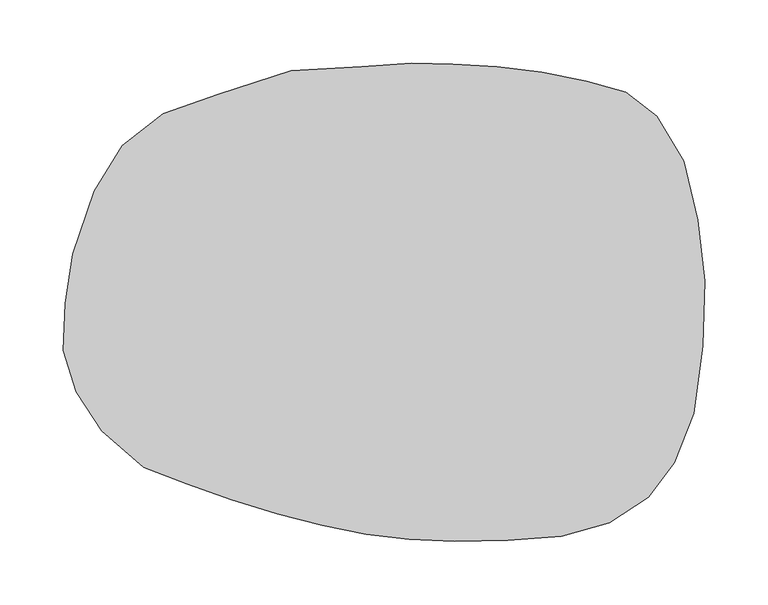
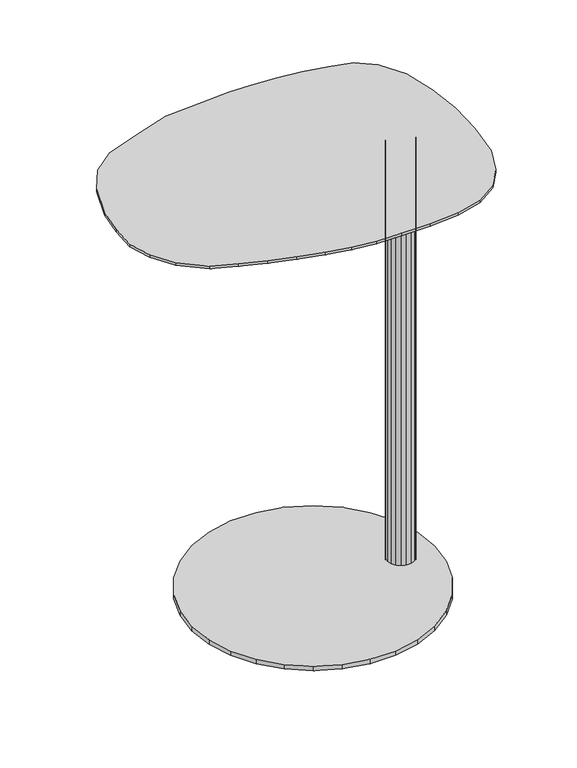
"""IFC4 building model written with IfcOpenShell, lengths in millimetres: furniture geometry."""

import ifcopenshell
import ifcopenshell.guid

model = None  # the IFC model being written
_history = None  # IfcOwnerHistory: only IFC2X3 demands one
_inside = {}  # id of a spatial element -> (the spatial element, [elements in it])
_under = {}  # id of a project, library or spatial element -> (it, [spatial elements below it])
_declared = {}  # id of a project -> (the project, [libraries it declares])
_typed = {}  # id of a type object -> (the type object, [elements of that type])
_made_of = {}  # id of a material, layer set ... -> (it, [elements and type objects made of it])


def new_model(schema):
    """Start an empty IFC model of exactly this schema.

    Asked for "IFC4X3", IfcOpenShell would pick the latest addendum, in which some entities
    have other attributes; the version numbers below select the first issue.
    IFC2X3 requires an IfcOwnerHistory on every rooted entity: one is made here for all.
    """
    global model, _history
    if schema == "IFC4X3":
        model = ifcopenshell.file(schema_version=(4, 3, 0, 0))
    else:
        model = ifcopenshell.file(schema=schema)
    _inside.clear()
    _under.clear()
    _declared.clear()
    _typed.clear()
    _made_of.clear()
    _history = None
    if model.schema == "IFC2X3":
        org = make("IfcOrganization", Name="unknown")
        user = make(
            "IfcPersonAndOrganization",
            ThePerson=make("IfcPerson", FamilyName="unknown"),
            TheOrganization=org,
        )
        app = make(
            "IfcApplication",
            ApplicationDeveloper=org,
            Version="unknown",
            ApplicationFullName="unknown",
            ApplicationIdentifier="unknown",
        )
        _history = make(
            "IfcOwnerHistory",
            OwningUser=user,
            OwningApplication=app,
            ChangeAction="ADDED",
            CreationDate=0,
        )
    return model


def make(cls, **values):
    """One entity of the class cls with the attributes given. An attribute that is None is left unset."""
    return model.create_entity(
        cls, **{name: value for name, value in values.items() if value is not None}
    )


def rooted(cls, **values):
    """An entity with a GlobalId (a new one), such as an element, a storey or a relation."""
    return make(cls, GlobalId=ifcopenshell.guid.new(), OwnerHistory=_history, **values)


def si_unit(unit_type, name, prefix=None):
    """IfcSIUnit, for example si_unit("LENGTHUNIT", "METRE", prefix="MILLI")."""
    return make("IfcSIUnit", UnitType=unit_type, Prefix=prefix, Name=name)


def assignment(units):
    """IfcUnitAssignment: the units of a project."""
    return None if units is None else make("IfcUnitAssignment", Units=units)


def point(xyz):
    """IfcCartesianPoint."""
    return None if xyz is None else make("IfcCartesianPoint", Coordinates=xyz)


def direction(xyz):
    """IfcDirection."""
    return None if xyz is None else make("IfcDirection", DirectionRatios=xyz)


def frame(location, z_axis=None, x_axis=None):
    """IfcAxis2Placement3D, a coordinate frame: its origin and axes. An axis left out is left unset."""
    return make(
        "IfcAxis2Placement3D",
        Location=point(location),
        Axis=direction(z_axis),
        RefDirection=direction(x_axis),
    )


def origin():
    """The frame at (0, 0, 0) with its axes left unset."""
    return frame((0.0, 0.0, 0.0))


def place(relative_to, where):
    """IfcLocalPlacement: puts the frame where relative to a parent placement (None: the world)."""
    return make(
        "IfcLocalPlacement", PlacementRelTo=relative_to, RelativePlacement=where
    )


def context(
    kind, dimensions, precision=None, world=None, true_north=None, identifier=None
):
    """IfcGeometricRepresentationContext, for example the 3D "Model" context."""
    return make(
        "IfcGeometricRepresentationContext",
        ContextIdentifier=identifier,
        ContextType=kind,
        CoordinateSpaceDimension=dimensions,
        Precision=precision,
        WorldCoordinateSystem=world,
        TrueNorth=true_north,
    )


def project(units=None, contexts=None):
    """IfcProject with its units and contexts."""
    return rooted(
        "IfcProject",
        Name="project",
        RepresentationContexts=contexts,
        UnitsInContext=assignment(units),
    )


def spatial(cls, under=None, at=None, **own):
    """A site, building, storey or space (cls), placed at a placement, below another one or the project."""
    s = rooted(cls, ObjectPlacement=at, **own)
    if under is not None:
        _under.setdefault(under.id(), (under, []))[1].append(s)
    return s


def point_list(points):
    """IfcCartesianPointList2D or 3D."""
    cls = (
        "IfcCartesianPointList2D" if len(points[0]) == 2 else "IfcCartesianPointList3D"
    )
    return make(cls, CoordList=points)


def triangles(points, corners, closed=None, point_numbers=None):
    """IfcTriangulatedFaceSet: each triangle names its three corners, points numbered from 1."""
    return make(
        "IfcTriangulatedFaceSet",
        Coordinates=point_list(points),
        Closed=closed,
        CoordIndex=corners,
        PnIndex=point_numbers,
    )


def shape(context_of_items, identifier, shape_type, items):
    """IfcShapeRepresentation: the items that make up one representation, for example the "Body"."""
    return make(
        "IfcShapeRepresentation",
        ContextOfItems=context_of_items,
        RepresentationIdentifier=identifier,
        RepresentationType=shape_type,
        Items=items,
    )


def source(mapping_origin, context_of_items, identifier, shape_type, items):
    """IfcRepresentationMap: a shape defined once, which mapped items show again and again."""
    return make(
        "IfcRepresentationMap",
        MappingOrigin=mapping_origin,
        MappedRepresentation=shape(context_of_items, identifier, shape_type, items),
    )


def transform(
    local_origin,
    x_axis=None,
    y_axis=None,
    z_axis=None,
    scale=None,
    scale2=None,
    scale3=None,
    uniform=True,
):
    """IfcCartesianTransformationOperator3D, or its non-uniform kind. x_axis, y_axis, z_axis: its Axis1, 2, 3."""
    if uniform:
        return make(
            "IfcCartesianTransformationOperator3D",
            Axis1=direction(x_axis),
            Axis2=direction(y_axis),
            LocalOrigin=point(local_origin),
            Scale=scale,
            Axis3=direction(z_axis),
        )
    return make(
        "IfcCartesianTransformationOperator3DnonUniform",
        Axis1=direction(x_axis),
        Axis2=direction(y_axis),
        LocalOrigin=point(local_origin),
        Scale=scale,
        Axis3=direction(z_axis),
        Scale2=scale2,
        Scale3=scale3,
    )


def mapped(mapping_source, mapping_target):
    """IfcMappedItem: shows the shape of a source again, moved by a transform."""
    return make(
        "IfcMappedItem", MappingSource=mapping_source, MappingTarget=mapping_target
    )


def made_of(thing, what):
    """Note that an element or type object is made of a material, layer set ...; save() writes the relation."""
    if what is not None:
        _made_of.setdefault(what.id(), (what, []))[1].append(thing)
    return thing


def element(
    cls,
    number,
    at=None,
    inside=None,
    cuts=None,
    type_object=None,
    material=None,
    context=None,
    identifier="Body",
    shape_type=None,
    held_by="IfcProductDefinitionShape",
    body=None,
    shapes=None,
    **own,
):
    """One element of the class cls, such as IfcWall. Its Tag is "e" and its number.

    at: its placement. inside: the storey or other place that contains it. cuts: it is an
    opening in that element (IfcRelVoidsElement). A single representation is given by context,
    identifier, shape_type and body (its items); several are given by shapes. held_by: the class
    of the entity that holds the representations. save() writes the other relations.
    """
    e = rooted(cls, Tag="e%d" % number, ObjectPlacement=at, **own)
    if body is not None:
        shapes = [shape(context, identifier, shape_type, body)]
    if shapes is not None:
        e.Representation = make(held_by, Representations=shapes)
    if inside is not None:
        _inside.setdefault(inside.id(), (inside, []))[1].append(e)
    if cuts is not None:
        rooted(
            "IfcRelVoidsElement", RelatingBuildingElement=cuts, RelatedOpeningElement=e
        )
    if type_object is not None:
        _typed.setdefault(type_object.id(), (type_object, []))[1].append(e)
    return made_of(e, material)


def aggregate(whole, parts):
    """IfcRelAggregates: a whole, such as a stair, and the parts it consists of."""
    return rooted("IfcRelAggregates", RelatingObject=whole, RelatedObjects=parts)


def save(model, path):
    """Write the relations noted so far, then the file.

    IfcRelAggregates (storeys below a building ...), IfcRelContainedInSpatialStructure (elements
    in a storey), IfcRelDefinesByType, IfcRelAssociatesMaterial and IfcRelDeclares: one each for
    every whole, place, type object, material and project.
    """
    for whole, parts in _under.values():
        aggregate(whole, parts)
    for where, things in _inside.values():
        rooted(
            "IfcRelContainedInSpatialStructure",
            RelatedElements=things,
            RelatingStructure=where,
        )
    for kind, things in _typed.values():
        rooted("IfcRelDefinesByType", RelatedObjects=things, RelatingType=kind)
    for what, things in _made_of.values():
        rooted("IfcRelAssociatesMaterial", RelatedObjects=things, RelatingMaterial=what)
    for by, libraries in _declared.values():
        rooted("IfcRelDeclares", RelatingContext=by, RelatedDefinitions=libraries)
    model.write(path)


def furniture_79f15453(model_context):
    return source(origin(), model_context, "Body", "Tessellation", [
        triangles([(221.9265156, 88.4537669, 652.2401299), (227.0819604, 25.4721893, 652.2401299), (252.7231278, 28.0653881, 652.2401299), (247.1949224, 76.2851874, 652.2401299), (215.0287172, 158.0494553, 652.2401299), (236.3256367, 122.9189052, 652.2401299), (190.4408103, 177.2989889, 652.2401299), (195.643327, 98.1392313, 652.2401299), (200.4520088, 22.4522269, 652.2401299), (163.7250173, 102.8585472, 652.2401299), (159.2710014, 185.9971862, 652.2401299), (128.1638158, 104.2972039, 652.2401299), (124.4384982, 193.0518246, 652.2401299), (131.9453256, 14.508243, 652.2401299), (168.2388406, 18.5787488, 652.2401299), (90.9519429, 104.1407455, 652.2401299), (88.8624993, 197.2106187, 652.2401299), (54.4837156, 102.9605668, 652.2401299), (54.0944634, 199.2438159, 652.2401299), (54.8859576, 7.7471152, 652.2401299), (93.0743697, 10.8971978, 652.2401299), (21.1534417, 101.3280901, 652.2401299), (21.6858084, 199.9215543, 652.2401299), (-16.6104267, 97.8767655, 652.2401299), (-17.6973232, 197.1794796, 652.2401299), (-15.607741, 2.1060916, 652.2401299), (20.640076, 5.0594875, 652.2401299), (-66.3794421, 91.2401158, 652.2401299), (-73.3887617, 194.1075196, 652.2401299), (-117.4284609, 81.4136443, 652.2401299), (-130.5653589, 175.6635691, 652.2401299), (-105.081086, -6.3784777, 652.2401299), (-59.8019593, -1.8412983, 652.2401299), (-159.0323532, 68.3928957, 652.2401299), (-174.4038713, 160.1470925, 652.2401299), (-193.3115471, 51.9985839, 652.2401299), (-206.5129942, 134.9031755, 652.2401299), (-180.3637364, -16.0501661, 652.2401299), (-144.5836984, -11.1012505, 652.2401299), (-222.3864621, 32.0514525, 652.2401299), (-228.501405, 99.0977303, 652.2401299), (-251.331752, 10.3279068, 652.2401299), (-245.429387, 49.3356105, 652.2401299), (-252.9706055, -26.6147749, 652.2401299), (-214.4752444, -21.2657963, 652.2401299), (-202.9714953, -68.0469593, 652.2401299), (-242.7905401, -59.4274137, 652.2401299), (-189.6714169, -118.8154221, 652.2401299), (-222.8557285, -90.1750645, 652.2401299), (-155.7366786, -131.8068983, 652.2401299), (-167.9233621, -75.4566179, 652.2401299), (-131.9808339, -80.446525, 652.2401299), (-120.3008964, -144.7173476, 652.2401299), (-84.3341238, -155.6354493, 652.2401299), (-94.3128297, -83.6396894, 652.2401299), (-54.0881865, -85.6591701, 652.2401299), (-48.8062778, -164.8452796, 652.2401299), (-14.0234275, -171.7751437, 652.2401299), (-14.7734748, -86.6005461, 652.2401299), (20.1647235, -86.5594149, 652.2401299), (19.7083651, -175.8534558, 652.2401299), (55.7554494, -177.3309274, 652.2401299), (55.3142109, -85.3267867, 652.2401299), (95.2627808, -82.6936898, 652.2401299), (97.4841569, -176.4582335, 652.2401299), (139.7892236, -173.4897556, 652.2401299), (135.8391922, -77.3494211, 652.2401299), (172.8722242, -67.9833731, 652.2401299), (177.5653426, -162.9307162, 652.2401299), (208.1001067, -142.6731046, 652.2401299), (204.4730025, -55.2906704, 652.2401299), (228.7527705, -39.9664922, 652.2401299), (228.6811542, -115.2453184, 652.2401299), (244.2853616, -76.3046175, 652.2401299), (251.1747849, -23.3265626, 652.2401299), (252.7231278, 28.0653881, 648.4466841), (227.0819604, 25.4721893, 648.4466841), (221.9265156, 88.4537669, 648.4466841), (247.1949224, 76.2851874, 648.4466841), (215.0287172, 158.0494553, 648.4466841), (236.3256367, 122.9189052, 648.4466841), (190.4408103, 177.2989889, 648.4466841), (195.643327, 98.1392313, 648.4466841), (200.4520088, 22.4522269, 648.4466841), (163.7250173, 102.8585472, 648.4466841), (159.2710014, 185.9971862, 648.4466841), (128.1638158, 104.2972039, 648.4466841), (124.4384982, 193.0518246, 648.4466841), (131.9453256, 14.508243, 648.4466841), (168.2388406, 18.5787488, 648.4466841), (90.9519429, 104.1407455, 648.4466841), (88.8624993, 197.2106187, 648.4466841), (54.4837156, 102.9605668, 648.4466841), (54.0944634, 199.2438159, 648.4466841), (54.8859576, 7.7471152, 648.4466841), (93.0743697, 10.8971978, 648.4466841), (21.1534417, 101.3280901, 648.4466841), (21.6858084, 199.9215543, 648.4466841), (-16.6104267, 97.8767655, 648.4466841), (-17.6973232, 197.1794796, 648.4466841), (-15.607741, 2.1060916, 648.4466841), (20.640076, 5.0594875, 648.4466841), (-66.3794421, 91.2401158, 648.4466841), (-73.3887617, 194.1075196, 648.4466841), (-117.4284609, 81.4136443, 648.4466841), (-130.5653589, 175.6635691, 648.4466841), (-105.081086, -6.3784777, 648.4466841), (-59.8019593, -1.8412983, 648.4466841), (-159.0323532, 68.3928957, 648.4466841), (-174.4038713, 160.1470925, 648.4466841), (-193.3115471, 51.9985839, 648.4466841), (-206.5129942, 134.9031755, 648.4466841), (-180.3637364, -16.0501661, 648.4466841), (-144.5836984, -11.1012505, 648.4466841), (-222.3864621, 32.0514525, 648.4466841), (-228.501405, 99.0977303, 648.4466841), (-251.331752, 10.3279068, 648.4466841), (-245.429387, 49.3356105, 648.4466841), (-252.9706055, -26.6147749, 648.4466841), (-214.4752444, -21.2657963, 648.4466841), (-202.9714953, -68.0469593, 648.4466841), (-242.7905401, -59.4274137, 648.4466841), (-189.6714169, -118.8154221, 648.4466841), (-222.8557285, -90.1750645, 648.4466841), (-155.7366786, -131.8068983, 648.4466841), (-167.9233621, -75.4566179, 648.4466841), (-131.9808339, -80.446525, 648.4466841), (-120.3008964, -144.7173476, 648.4466841), (-84.3341238, -155.6354493, 648.4466841), (-94.3128297, -83.6396894, 648.4466841), (-54.0881865, -85.6591701, 648.4466841), (-48.8062778, -164.8452796, 648.4466841), (-14.0234275, -171.7751437, 648.4466841), (-14.7734748, -86.6005461, 648.4466841), (20.1647235, -86.5594149, 648.4466841), (19.7083651, -175.8534558, 648.4466841), (55.7554494, -177.3309274, 648.4466841), (55.3142109, -85.3267867, 648.4466841), (95.2627808, -82.6936898, 648.4466841), (97.4841569, -176.4582335, 648.4466841), (139.7892236, -173.4897556, 648.4466841), (135.8391922, -77.3494211, 648.4466841), (172.8722242, -67.9833731, 648.4466841), (177.5653426, -162.9307162, 648.4466841), (208.1001067, -142.6731046, 648.4466841), (204.4730025, -55.2906704, 648.4466841), (228.7527705, -39.9664922, 648.4466841), (228.6811542, -115.2453184, 648.4466841), (244.2853616, -76.3046175, 648.4466841), (251.1747849, -23.3265626, 648.4466841), (87.8491709, 174.784008, 6.6578984), (51.7656266, 182.453816, 6.6578984), (14.8759611, 182.4538342, 6.6578984), (-21.2075763, 174.7839898, 6.6578984), (-54.9079675, 159.7796186, 6.6578984), (194.5227377, 78.7346291, 6.6578984), (-84.7523486, 138.0964399, 6.6578984), (-109.4363616, 110.6820704, 6.6578984), (-127.8812023, 78.7346927, 6.6578984), (-139.2807336, 43.6505242, 6.6578984), (-143.1367664, 6.9629386, 6.6578984), (-139.2807245, -29.7246459, 6.6578984), (-127.8812023, -64.808803, 6.6578984), (-109.4363706, -96.7561944, 6.6578984), (-84.7523759, -124.1705639, 6.6578984), (-54.9080039, -145.8537699, 6.6578984), (-21.2076513, -160.858132, 6.6578984), (14.8758441, -168.52794, 6.6578984), (51.7654677, -168.5279763, 6.6578984), (87.8489801, -160.8582047, 6.6578984), (121.5493486, -145.8538789, 6.6578984), (151.3937297, -124.1707547, 6.6578984), (176.0777153, -96.7564578, 6.6578984), (194.5225924, -64.8091301, 6.6578984), (209.7783109, 6.9628909, 6.6578984), (205.9222054, -29.725032, 6.6578984), (175.8836865, -5.6624275, 4.7487915), (170.6581697, -10.0471509, 4.7487915), (164.2481322, -12.3802082, 4.7487915), (157.4267099, -12.3802025, 4.7487915), (151.0166815, -10.0471361, 4.7487915), (145.7911556, -5.6624087, 4.7487915), (142.3804626, 0.2451171, 4.7487915), (141.1959419, 6.9629068, 4.7487915), (142.3804626, 13.6806943, 4.7487915), (145.7911556, 19.5882166, 4.7487915), (151.0166815, 23.9729417, 4.7487915), (157.4267099, 26.3060047, 4.7487915), (164.2481322, 26.3060047, 4.7487915), (170.6581879, 23.9729372, 4.7487915), (175.8837047, 19.5882121, 4.7487915), (179.2944158, 13.6806875, 4.7487915), (180.4789365, 6.9628966, 4.7487915), (179.2944158, 0.2450938, 4.7487915), (179.2944158, 13.6806886, 649.3170525), (180.4789365, 6.9628966, 649.3170525), (175.8837047, 19.5882143, 649.3170525), (170.6581879, 23.9729372, 649.3170525), (164.2481322, 26.3060047, 649.3170525), (157.4267099, 26.3060047, 649.3170525), (151.0166996, 23.9729417, 649.3170525), (145.7911919, 19.5882189, 649.3170525), (142.3804717, 13.6806943, 649.3170525), (141.1959419, 6.9629068, 649.3170525), (142.3804717, 0.2451159, 649.3170525), (145.7911919, -5.6624087, 649.3170525), (151.0166996, -10.0471395, 649.3170525), (157.4267099, -12.3802059, 649.3170525), (164.2481322, -12.3802104, 649.3170525), (170.6581697, -10.047152, 649.3170525), (175.8837047, -5.6624275, 649.3170525), (179.2944158, 0.2450926, 649.3170525), (194.5225924, -64.8091301, 1.49e-05), (176.0777153, -96.7564578, 1.49e-05), (151.3937297, -124.1707547, 1.49e-05), (121.5493486, -145.8538789, 1.49e-05), (87.8489801, -160.8582047, 1.49e-05), (51.7654677, -168.5279763, 1.49e-05), (14.8758441, -168.52794, 1.49e-05), (-21.2076513, -160.858132, 1.49e-05), (-54.9080039, -145.8537699, 1.49e-05), (-84.7523759, -124.1705639, 1.49e-05), (-109.4363706, -96.7561944, 1.49e-05), (-127.8812023, -64.808803, 1.49e-05), (-139.2807245, -29.7246459, 1.49e-05), (-143.1367664, 6.9629386, 1.49e-05), (-139.2807336, 43.6505242, 1.49e-05), (-127.8812023, 78.7346927, 1.49e-05), (-109.4363616, 110.6820704, 1.49e-05), (-84.7523486, 138.0964399, 1.49e-05), (-54.9079675, 159.7796186, 1.49e-05), (-21.2075763, 174.7839898, 1.49e-05), (14.8759611, 182.4538342, 1.49e-05), (51.7656266, 182.453816, 1.49e-05), (87.8491709, 174.784008, 1.49e-05), (121.5495484, 159.7796186, 1.49e-05), (151.3939204, 138.0964036, 1.49e-05), (176.0779334, 110.682025, 1.49e-05), (194.5227377, 78.7346291, 1.49e-05), (205.9223145, 43.6504743, 1.49e-05), (209.7783109, 6.9628909, 1.49e-05), (205.9222054, -29.725032, 1.49e-05), (205.9223145, 43.6504743, 6.6578984), (176.0779334, 110.682025, 6.6578984), (151.3939204, 138.0964036, 6.6578984), (121.5495484, 159.7796186, 6.6578984)], [[1, 2, 3], [3, 4, 1], [5, 1, 4], [4, 6, 5], [1, 5, 7], [7, 8, 1], [2, 1, 8], [8, 9, 2], [10, 8, 7], [7, 11, 10], [12, 10, 11], [11, 13, 12], [10, 12, 14], [14, 15, 10], [8, 10, 15], [15, 9, 8], [16, 12, 13], [13, 17, 16], [18, 16, 17], [17, 19, 18], [16, 18, 20], [20, 21, 16], [12, 16, 21], [21, 14, 12], [22, 18, 19], [19, 23, 22], [24, 22, 23], [23, 25, 24], [22, 24, 26], [26, 27, 22], [18, 22, 27], [27, 20, 18], [28, 24, 25], [25, 29, 28], [30, 28, 29], [29, 31, 30], [28, 30, 32], [32, 33, 28], [24, 28, 33], [33, 26, 24], [34, 30, 31], [31, 35, 34], [36, 34, 35], [35, 37, 36], [34, 36, 38], [38, 39, 34], [30, 34, 39], [39, 32, 30], [40, 36, 37], [37, 41, 40], [42, 40, 41], [41, 43, 42], [40, 42, 44], [44, 45, 40], [36, 40, 45], [45, 38, 36], [46, 45, 44], [44, 47, 46], [48, 46, 47], [47, 49, 48], [46, 48, 50], [50, 51, 46], [45, 46, 51], [51, 38, 45], [52, 39, 38], [38, 51, 52], [53, 52, 51], [51, 50, 53], [52, 53, 54], [54, 55, 52], [39, 52, 55], [55, 32, 39], [56, 33, 32], [32, 55, 56], [57, 56, 55], [55, 54, 57], [56, 57, 58], [58, 59, 56], [33, 56, 59], [59, 26, 33], [60, 27, 26], [26, 59, 60], [61, 60, 59], [59, 58, 61], [60, 61, 62], [62, 63, 60], [27, 60, 63], [63, 20, 27], [64, 21, 20], [20, 63, 64], [65, 64, 63], [63, 62, 65], [64, 65, 66], [66, 67, 64], [21, 64, 67], [67, 14, 21], [68, 15, 14], [14, 67, 68], [69, 68, 67], [67, 66, 69], [68, 69, 70], [70, 71, 68], [15, 68, 71], [71, 9, 15], [72, 2, 9], [9, 71, 72], [73, 72, 71], [71, 70, 73], [72, 73, 74], [74, 75, 72], [2, 72, 75], [75, 3, 2], [76, 77, 78], [78, 79, 76], [79, 78, 80], [80, 81, 79], [82, 80, 78], [78, 83, 82], [83, 78, 77], [77, 84, 83], [82, 83, 85], [85, 86, 82], [86, 85, 87], [87, 88, 86], [89, 87, 85], [85, 90, 89], [90, 85, 83], [83, 84, 90], [88, 87, 91], [91, 92, 88], [92, 91, 93], [93, 94, 92], [95, 93, 91], [91, 96, 95], [96, 91, 87], [87, 89, 96], [94, 93, 97], [97, 98, 94], [98, 97, 99], [99, 100, 98], [101, 99, 97], [97, 102, 101], [102, 97, 93], [93, 95, 102], [100, 99, 103], [103, 104, 100], [104, 103, 105], [105, 106, 104], [107, 105, 103], [103, 108, 107], [108, 103, 99], [99, 101, 108], [106, 105, 109], [109, 110, 106], [110, 109, 111], [111, 112, 110], [113, 111, 109], [109, 114, 113], [114, 109, 105], [105, 107, 114], [112, 111, 115], [115, 116, 112], [116, 115, 117], [117, 118, 116], [119, 117, 115], [115, 120, 119], [120, 115, 111], [111, 113, 120], [119, 120, 121], [121, 122, 119], [122, 121, 123], [123, 124, 122], [125, 123, 121], [121, 126, 125], [126, 121, 120], [120, 113, 126], [113, 114, 127], [127, 126, 113], [126, 127, 128], [128, 125, 126], [129, 128, 127], [127, 130, 129], [130, 127, 114], [114, 107, 130], [107, 108, 131], [131, 130, 107], [130, 131, 132], [132, 129, 130], [133, 132, 131], [131, 134, 133], [134, 131, 108], [108, 101, 134], [101, 102, 135], [135, 134, 101], [134, 135, 136], [136, 133, 134], [137, 136, 135], [135, 138, 137], [138, 135, 102], [102, 95, 138], [95, 96, 139], [139, 138, 95], [138, 139, 140], [140, 137, 138], [141, 140, 139], [139, 142, 141], [142, 139, 96], [96, 89, 142], [89, 90, 143], [143, 142, 89], [142, 143, 144], [144, 141, 142], [145, 144, 143], [143, 146, 145], [146, 143, 90], [90, 84, 146], [84, 77, 147], [147, 146, 84], [146, 147, 148], [148, 145, 146], [149, 148, 147], [147, 150, 149], [150, 147, 77], [77, 76, 150], [4, 3, 76], [76, 79, 4], [6, 4, 79], [79, 81, 6], [5, 6, 81], [81, 80, 5], [7, 5, 80], [80, 82, 7], [11, 7, 82], [82, 86, 11], [13, 11, 86], [86, 88, 13], [17, 13, 88], [88, 92, 17], [19, 17, 92], [92, 94, 19], [23, 19, 94], [94, 98, 23], [25, 23, 98], [98, 100, 25], [29, 25, 100], [100, 104, 29], [31, 29, 104], [104, 106, 31], [35, 31, 106], [106, 110, 35], [37, 35, 110], [110, 112, 37], [41, 37, 112], [112, 116, 41], [43, 41, 116], [116, 118, 43], [42, 43, 118], [118, 117, 42], [44, 42, 117], [117, 119, 44], [47, 44, 119], [119, 122, 47], [49, 47, 122], [122, 124, 49], [48, 49, 124], [124, 123, 48], [50, 48, 123], [123, 125, 50], [53, 50, 125], [125, 128, 53], [54, 53, 128], [128, 129, 54], [57, 54, 129], [129, 132, 57], [58, 57, 132], [132, 133, 58], [61, 58, 133], [133, 136, 61], [62, 61, 136], [136, 137, 62], [65, 62, 137], [137, 140, 65], [66, 65, 140], [140, 141, 66], [69, 66, 141], [141, 144, 69], [70, 69, 144], [144, 145, 70], [73, 70, 145], [145, 148, 73], [74, 73, 148], [148, 149, 74], [75, 74, 149], [149, 150, 75], [3, 75, 150], [150, 76, 3], [151, 152, 153], [153, 154, 155], [151, 153, 155], [156, 151, 155], [155, 157, 158], [158, 159, 160], [155, 158, 160], [160, 161, 162], [162, 163, 164], [160, 162, 164], [155, 160, 164], [164, 165, 166], [166, 167, 168], [164, 166, 168], [168, 169, 170], [170, 171, 172], [168, 170, 172], [164, 168, 172], [155, 164, 172], [156, 155, 172], [172, 173, 174], [156, 172, 174], [175, 156, 174], [176, 175, 174], [177, 178, 179], [179, 180, 181], [181, 182, 183], [179, 181, 183], [183, 184, 185], [185, 186, 187], [183, 185, 187], [187, 188, 189], [189, 190, 191], [187, 189, 191], [183, 187, 191], [179, 183, 191], [191, 192, 193], [179, 191, 193], [177, 179, 193], [194, 177, 193], [193, 192, 195], [195, 196, 193], [192, 191, 197], [197, 195, 192], [191, 190, 198], [198, 197, 191], [190, 189, 199], [199, 198, 190], [189, 188, 200], [200, 199, 189], [188, 187, 201], [201, 200, 188], [187, 186, 202], [202, 201, 187], [186, 185, 203], [203, 202, 186], [185, 184, 204], [204, 203, 185], [184, 183, 205], [205, 204, 184], [183, 182, 206], [206, 205, 183], [182, 181, 207], [207, 206, 182], [181, 180, 208], [208, 207, 181], [180, 179, 209], [209, 208, 180], [179, 178, 210], [210, 209, 179], [178, 177, 211], [211, 210, 178], [177, 194, 212], [212, 211, 177], [194, 193, 196], [196, 212, 194], [196, 195, 197], [197, 198, 199], [199, 200, 201], [197, 199, 201], [201, 202, 203], [203, 204, 205], [201, 203, 205], [205, 206, 207], [207, 208, 209], [205, 207, 209], [201, 205, 209], [197, 201, 209], [209, 210, 211], [197, 209, 211], [196, 197, 211], [212, 196, 211], [213, 214, 215], [215, 216, 217], [217, 218, 219], [215, 217, 219], [219, 220, 221], [221, 222, 223], [219, 221, 223], [215, 219, 223], [223, 224, 225], [225, 226, 227], [223, 225, 227], [227, 228, 229], [229, 230, 231], [227, 229, 231], [223, 227, 231], [231, 232, 233], [233, 234, 235], [231, 233, 235], [235, 236, 237], [237, 238, 239], [235, 237, 239], [231, 235, 239], [223, 231, 239], [215, 223, 239], [239, 240, 241], [215, 239, 241], [213, 215, 241], [242, 213, 241], [241, 240, 243], [243, 175, 241], [240, 239, 156], [156, 243, 240], [239, 238, 244], [244, 156, 239], [238, 237, 245], [245, 244, 238], [237, 236, 246], [246, 245, 237], [236, 235, 151], [151, 246, 236], [235, 234, 152], [152, 151, 235], [234, 233, 153], [153, 152, 234], [233, 232, 154], [154, 153, 233], [232, 231, 155], [155, 154, 232], [231, 230, 157], [157, 155, 231], [230, 229, 158], [158, 157, 230], [229, 228, 159], [159, 158, 229], [228, 227, 160], [160, 159, 228], [227, 226, 161], [161, 160, 227], [226, 225, 162], [162, 161, 226], [225, 224, 163], [163, 162, 225], [224, 223, 164], [164, 163, 224], [223, 222, 165], [165, 164, 223], [222, 221, 166], [166, 165, 222], [221, 220, 167], [167, 166, 221], [220, 219, 168], [168, 167, 220], [219, 218, 169], [169, 168, 219], [218, 217, 170], [170, 169, 218], [217, 216, 171], [171, 170, 217], [216, 215, 172], [172, 171, 216], [215, 214, 173], [173, 172, 215], [214, 213, 174], [174, 173, 214], [213, 242, 176], [176, 174, 213], [242, 241, 175], [175, 176, 242], [175, 243, 156], [156, 244, 245], [245, 246, 151], [156, 245, 151]]),
    ])


if __name__ == "__main__":
    model = new_model("IFC4")
    model_context = context("Model", 3, world=origin())
    ifc_project = project(units=[si_unit("LENGTHUNIT", "METRE", prefix="MILLI")], contexts=[model_context])
    site = spatial("IfcSite", under=ifc_project)
    building = spatial("IfcBuilding", under=site)
    placement = place(None, origin())
    furniture_shape = furniture_79f15453(model_context)
    element("IfcFurniture", 1, at=placement, inside=building, context=model_context, shape_type="MappedRepresentation", body=[
        mapped(furniture_shape, transform((0.0, 0.0, 0.0), x_axis=(1.0, 0.0, 0.0), y_axis=(0.0, 1.0, 0.0), z_axis=(0.0, 0.0, 1.0))),
    ])
    save(model, "model.ifc")
